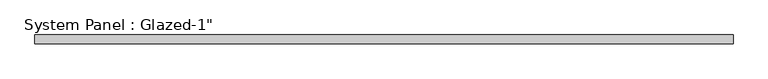
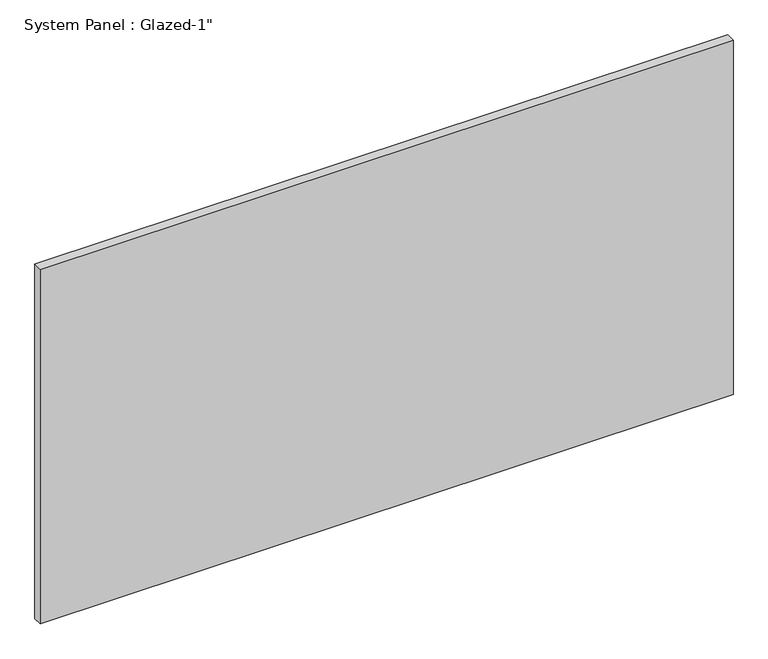
"""IFC4 building model written with IfcOpenShell, lengths in millimetres: plate geometry."""

from ifc_helpers import new_model, si_unit, origin, origin_with_axes, place, context, project, spatial, polyline, outline, extrude, source, transform, mapped, element, save


def plate_6d64b4f8(model_context):
    return source(origin(), model_context, "Body", "SweptSolid", [
        extrude(outline(polyline([(984.2508325, 25.4), (-984.2508325, 25.4), (-984.2508325, 50.8), (984.2508325, 50.8), (984.2508325, 25.4)])), origin_with_axes(), (0.0, 0.0, 1.0), 1064.8893215),
    ])


if __name__ == "__main__":
    model = new_model("IFC4")
    model_context = context("Model", 3, world=origin())
    ifc_project = project(units=[si_unit("LENGTHUNIT", "METRE", prefix="MILLI")], contexts=[model_context])
    site = spatial("IfcSite", under=ifc_project)
    building = spatial("IfcBuilding", under=site)
    placement = place(None, origin())
    plate_shape = plate_6d64b4f8(model_context)
    element("IfcPlate", 1, ObjectType="System Panel : Glazed-1\"", at=placement, inside=building, context=model_context, shape_type="MappedRepresentation", body=[
        mapped(plate_shape, transform((0.0, 0.0, 0.0), x_axis=(1.0, 0.0, 0.0), y_axis=(0.0, 1.0, 0.0), z_axis=(0.0, 0.0, 1.0))),
    ])
    save(model, "model.ifc")
